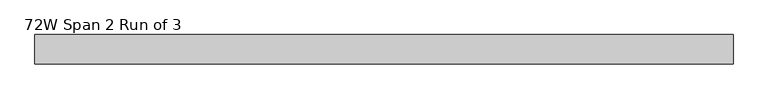
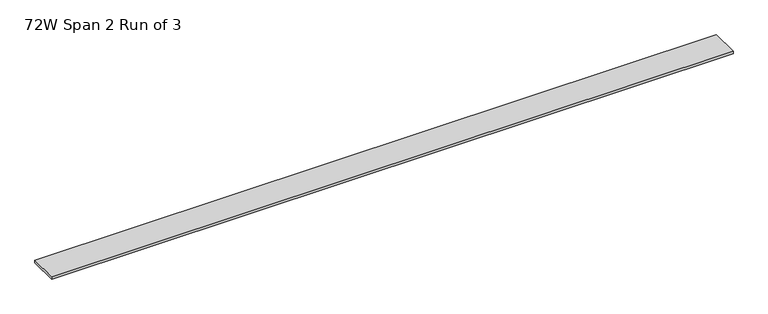
"""IFC4 building model written with IfcOpenShell, lengths in millimetres: furniture geometry, 72W Span 2 Run of 3."""

from ifc_helpers import new_model, si_unit, frame, origin, place, context, project, spatial, polyline, outline, extrude, source, transform, mapped, element, save


def furniture_72w_span_2_run_of_3_73da6573(model_context):
    return source(origin(), model_context, "Body", "SweptSolid", [
        extrude(outline(polyline([(858.41205, 38.735), (858.41205, -38.735), (-970.38795, -38.735), (-970.38795, 38.735), (858.41205, 38.735)])), frame((0.0, 0.0, 1150.366), z_axis=(0.0, 0.0, 1.0), x_axis=(1.0, 0.0, 0.0)), (0.0, 0.0, 1.0), 6.858),
    ])


if __name__ == "__main__":
    model = new_model("IFC4")
    model_context = context("Model", 3, world=origin())
    ifc_project = project(units=[si_unit("LENGTHUNIT", "METRE", prefix="MILLI")], contexts=[model_context])
    site = spatial("IfcSite", under=ifc_project)
    building = spatial("IfcBuilding", under=site)
    placement = place(None, origin())
    furniture_72w_span_2_run_of_3_shape = furniture_72w_span_2_run_of_3_73da6573(model_context)
    element("IfcFurniture", 1, ObjectType="72W Span 2 Run of 3", at=placement, inside=building, context=model_context, shape_type="MappedRepresentation", body=[
        mapped(furniture_72w_span_2_run_of_3_shape, transform((0.0, 0.0, 0.0), x_axis=(1.0, 0.0, 0.0), y_axis=(0.0, 1.0, 0.0), z_axis=(0.0, 0.0, 1.0))),
    ])
    save(model, "model.ifc")
